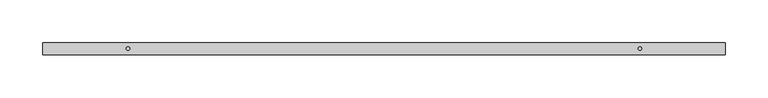
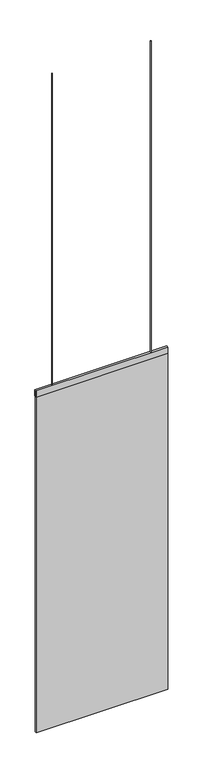
"""IFC4 building model written with IfcOpenShell, lengths in millimetres: furniture geometry."""

from ifc_helpers import new_model, si_unit, point, frame, frame_2d, origin, place, context, project, spatial, polyline, circle_curve, trimmed, segment, composite_curve, outline, extrude, source, transform, mapped, element, save


def furniture_0dbd7045(model_context):
    return source(origin(), model_context, "Body", "SweptSolid", [
        extrude(outline(composite_curve([segment(trimmed(circle_curve(frame_2d((520.5212419, 44.45)), 2.0), [point((518.5212419, 44.45))], [point((522.5212419, 44.45))], False, "CARTESIAN"), True, "CONTINUOUS"), segment(trimmed(circle_curve(frame_2d((520.5212419, 44.45)), 2.0), [point((522.5212419, 44.45))], [point((518.5212419, 44.45))], False, "CARTESIAN"), True, "CONTINUOUS")], self_intersect=False)), frame((0.0, 0.0, 2499.0754691), z_axis=(0.0, 0.0, 1.0), x_axis=(1.0, 0.0, 0.0)), (0.0, 0.0, 1.0), 2000.2964059),
        extrude(outline(composite_curve([segment(trimmed(circle_curve(frame_2d((1120.5240017, 44.45)), 2.0), [point((1118.5240017, 44.45))], [point((1122.5240017, 44.45))], False, "CARTESIAN"), True, "CONTINUOUS"), segment(trimmed(circle_curve(frame_2d((1120.5240017, 44.45)), 2.0), [point((1122.5240017, 44.45))], [point((1118.5240017, 44.45))], False, "CARTESIAN"), True, "CONTINUOUS")], self_intersect=False)), frame((0.0, 0.0, 2499.0754691), z_axis=(0.0, 0.0, 1.0), x_axis=(1.0, 0.0, 0.0)), (0.0, 0.0, 1.0), 2000.2964059),
        extrude(outline(polyline([(50.45, 2459.9289107), (50.45, 2499.0754691), (38.45, 2499.0754691), (38.45, 2460.037625), (37.4499997, 2460.037625), (37.4499997, 2499.915625), (51.4500003, 2499.915625), (51.4500003, 2459.9289107), (50.45, 2459.9289107)])), frame((420.5244133, 0.0, 0.0), z_axis=(1.0, 0.0, 0.0), x_axis=(0.0, 1.0, 0.0)), (0.0, 0.0, 1.0), 800.1),
        extrude(outline(polyline([(1220.6244133, 50.45), (1220.6244133, 38.45), (420.5244133, 38.45), (420.5244133, 50.45), (1220.6244133, 50.45)])), frame((0.0, 0.0, 300.0375), z_axis=(0.0, 0.0, 1.0), x_axis=(1.0, 0.0, 0.0)), (0.0, 0.0, 1.0), 2199.0379691),
    ])


if __name__ == "__main__":
    model = new_model("IFC4")
    model_context = context("Model", 3, world=origin())
    ifc_project = project(units=[si_unit("LENGTHUNIT", "METRE", prefix="MILLI")], contexts=[model_context])
    site = spatial("IfcSite", under=ifc_project)
    building = spatial("IfcBuilding", under=site)
    placement = place(None, origin())
    furniture_shape = furniture_0dbd7045(model_context)
    element("IfcFurniture", 1, at=placement, inside=building, context=model_context, shape_type="MappedRepresentation", body=[
        mapped(furniture_shape, transform((0.0, 0.0, 0.0), x_axis=(1.0, 0.0, 0.0), y_axis=(0.0, 1.0, 0.0), z_axis=(0.0, 0.0, 1.0))),
    ])
    save(model, "model.ifc")
